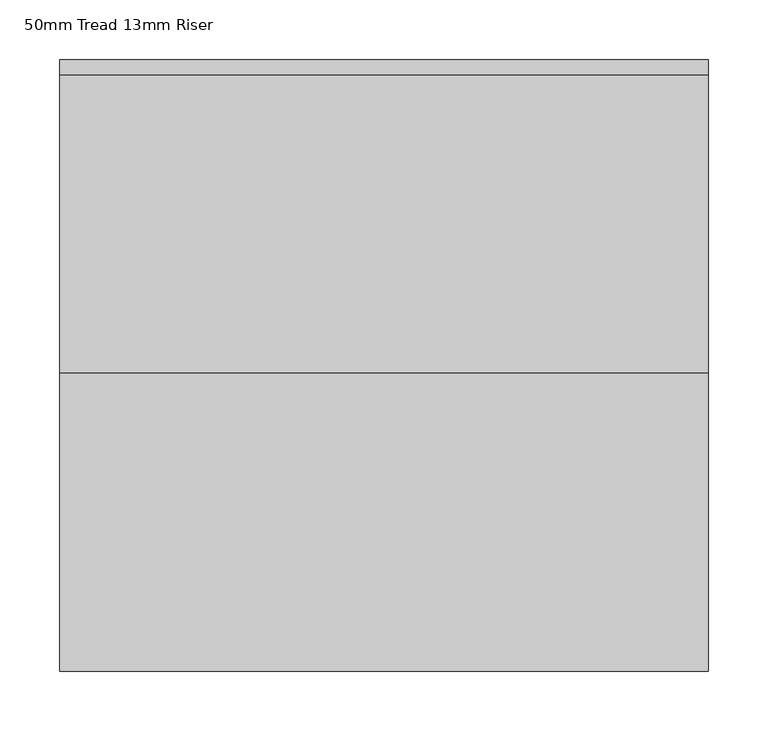
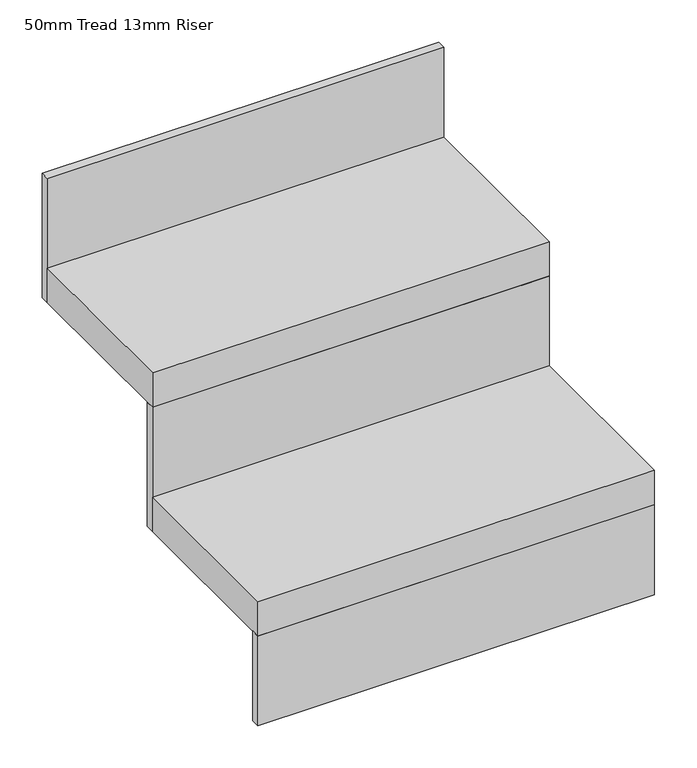
"""IFC4 building model written with IfcOpenShell, lengths in millimetres: stair flight geometry, 50mm Tread 13mm Riser."""

from ifc_helpers import new_model, si_unit, frame, origin, origin_with_axes, place, context, project, spatial, polyline, outline, extrude, source, transform, mapped, element, save


def stair_flight_50mm_tread_13mm_riser_4e57f0f1(model_context):
    return source(origin(), model_context, "Body", "SweptSolid", [
        extrude(outline(polyline([(2447.4035594, 8585.1134584), (2447.4035594, 8572.6134584), (1903.7691019, 8572.6134584), (1903.7691019, 8585.1134584), (2447.4035594, 8585.1134584)])), origin_with_axes(), (0.0, 0.0, 1.0), 130.0),
        extrude(outline(polyline([(1903.7691019, 8822.6134584), (2447.4035594, 8822.6134584), (2447.4035594, 8572.6134584), (1903.7691019, 8572.6134584), (1903.7691019, 8822.6134584)])), frame((0.0, 0.0, 130.0), z_axis=(0.0, 0.0, 1.0), x_axis=(1.0, 0.0, 0.0)), (0.0, 0.0, 1.0), 50.0),
        extrude(outline(polyline([(2447.4035594, 8835.1134584), (2447.4035594, 8822.6134584), (1903.7691019, 8822.6134584), (1903.7691019, 8835.1134584), (2447.4035594, 8835.1134584)])), frame((0.0, 0.0, 130.0), z_axis=(0.0, 0.0, 1.0), x_axis=(1.0, 0.0, 0.0)), (0.0, 0.0, 1.0), 180.0),
        extrude(outline(polyline([(1903.7691019, 9072.6134584), (2447.4035594, 9072.6134584), (2447.4035594, 8822.6134584), (1903.7691019, 8822.6134584), (1903.7691019, 9072.6134584)])), frame((0.0, 0.0, 310.0), z_axis=(0.0, 0.0, 1.0), x_axis=(1.0, 0.0, 0.0)), (0.0, 0.0, 1.0), 50.0),
        extrude(outline(polyline([(2447.4035594, 9085.1134584), (2447.4035594, 9072.6134584), (1903.7691019, 9072.6134584), (1903.7691019, 9085.1134584), (2447.4035594, 9085.1134584)])), frame((0.0, 0.0, 310.0), z_axis=(0.0, 0.0, 1.0), x_axis=(1.0, 0.0, 0.0)), (0.0, 0.0, 1.0), 180.0),
    ])


if __name__ == "__main__":
    model = new_model("IFC4")
    model_context = context("Model", 3, world=origin())
    ifc_project = project(units=[si_unit("LENGTHUNIT", "METRE", prefix="MILLI")], contexts=[model_context])
    site = spatial("IfcSite", under=ifc_project)
    building = spatial("IfcBuilding", under=site)
    placement = place(None, origin())
    stair_flight_50mm_tread_13mm_riser_shape = stair_flight_50mm_tread_13mm_riser_4e57f0f1(model_context)
    element("IfcStairFlight", 1, ObjectType="50mm Tread 13mm Riser", at=placement, inside=building, context=model_context, shape_type="MappedRepresentation", body=[
        mapped(stair_flight_50mm_tread_13mm_riser_shape, transform((0.0, 0.0, 0.0), x_axis=(1.0, 0.0, 0.0), y_axis=(0.0, 1.0, 0.0), z_axis=(0.0, 0.0, 1.0))),
    ])
    save(model, "model.ifc")
